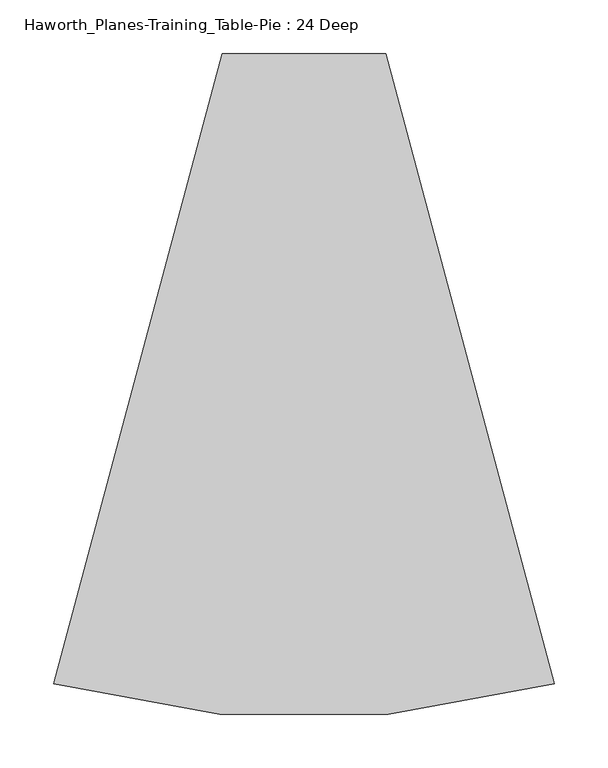
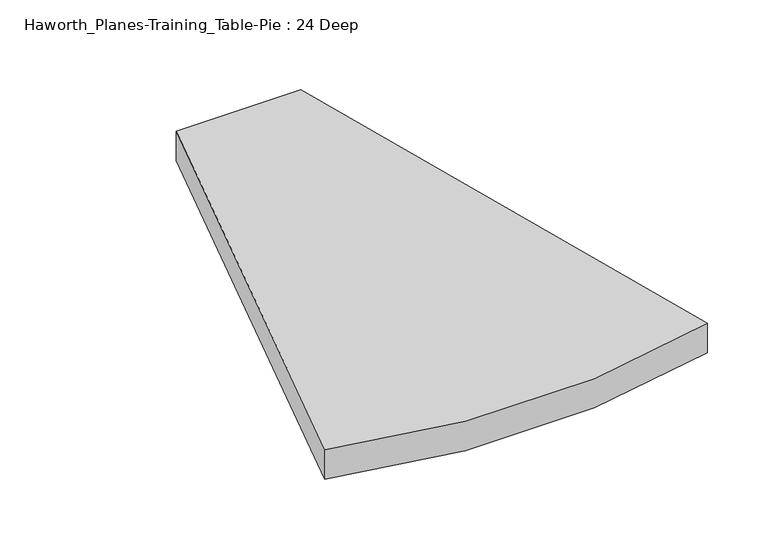
"""IFC4 building model written with IfcOpenShell, lengths in millimetres: furniture geometry, Haworth_Planes-Training_Table-Pie : 24 Deep."""

from ifc_helpers import new_model, si_unit, point, frame, frame_2d, origin, place, context, project, spatial, polyline, circle_curve, trimmed, segment, composite_curve, outline, extrude, source, transform, mapped, element, save


def haworth_planes_training_table_pie_24_deep_1534c981(model_context):
    return source(origin(), model_context, "Body", "SweptSolid", [
        extrude(outline(composite_curve([segment(polyline([(-59.257819, 76.2), (93.142181, 76.2), (250.9182709, -512.6283837)]), True, "CONTINUOUS"), segment(trimmed(circle_curve(frame_2d((16.942181, 321.0945777)), 865.9323224), [point((250.9182709, -512.6283837))], [point((-217.0339089, -512.6283837))], False, "CARTESIAN"), True, "CONTINUOUS"), segment(polyline([(-217.0339089, -512.6283837), (-59.257819, 76.2)]), True, "CONTINUOUS")], self_intersect=False)), frame((0.0, 0.0, 698.5), z_axis=(0.0, 0.0, 1.0), x_axis=(1.0, 0.0, 0.0)), (0.0, 0.0, 1.0), 38.1),
    ])


if __name__ == "__main__":
    model = new_model("IFC4")
    model_context = context("Model", 3, world=origin())
    ifc_project = project(units=[si_unit("LENGTHUNIT", "METRE", prefix="MILLI")], contexts=[model_context])
    site = spatial("IfcSite", under=ifc_project)
    building = spatial("IfcBuilding", under=site)
    placement = place(None, origin())
    haworth_planes_training_table_pie_24_deep_shape = haworth_planes_training_table_pie_24_deep_1534c981(model_context)
    element("IfcFurniture", 1, ObjectType="Haworth_Planes-Training_Table-Pie : 24 Deep", at=placement, inside=building, context=model_context, shape_type="MappedRepresentation", body=[
        mapped(haworth_planes_training_table_pie_24_deep_shape, transform((0.0, 0.0, 0.0), x_axis=(1.0, 0.0, 0.0), y_axis=(0.0, 1.0, 0.0), z_axis=(0.0, 0.0, 1.0))),
    ])
    save(model, "model.ifc")
